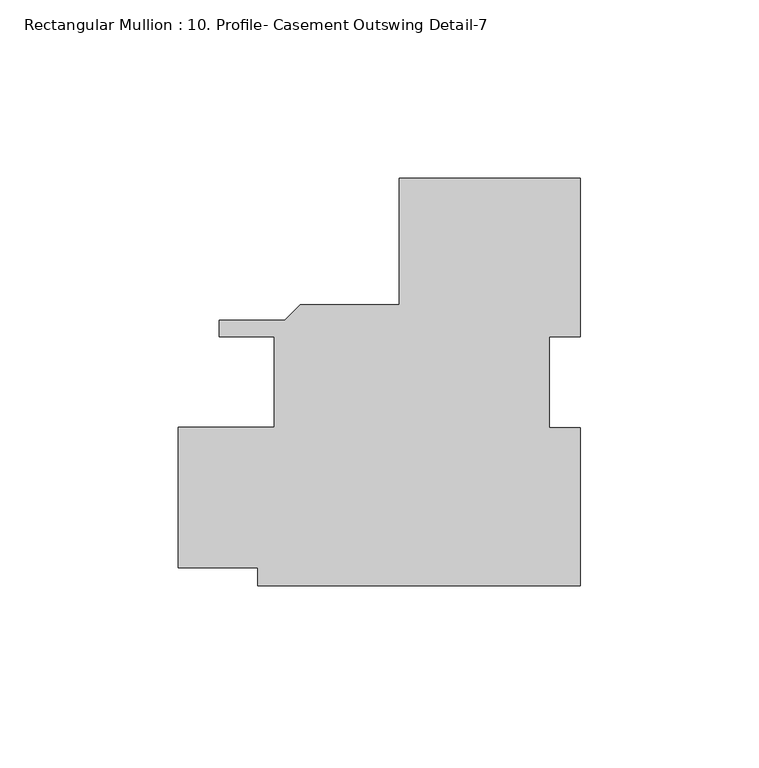
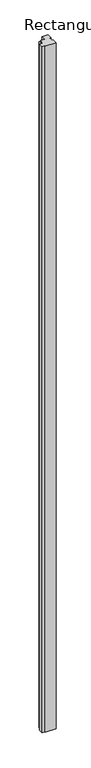
"""IFC4 building model written with IfcOpenShell, lengths in millimetres: member geometry, Rectangular Mullion : 10. Profile- Casement Outswing Detail-7."""

from ifc_helpers import new_model, si_unit, frame, origin, place, context, project, spatial, polyline, outline, extrude, source, transform, mapped, element, save


def rectangular_mullion_10_profile_casement_outswing_detail_7_7fdcaa0b(model_context):
    return source(origin(), model_context, "Body", "SweptSolid", [
        extrude(outline(polyline([(26.6832144, -57.1388465), (-63.8173913, -57.1388465), (-63.8173913, -52.0588038), (-86.0292856, -52.0588038), (-86.0292856, -12.6888039), (-59.0548914, -12.6888039), (-59.0548914, 12.7111961), (-74.5429351, 12.7111961), (-74.5429351, 17.4101962), (-56.1604273, 17.4101962), (-51.8932273, 21.6773962), (-24.1167856, 21.6773962), (-24.1167856, 57.1611535), (26.6832144, 57.1611535), (26.6832144, 12.7438492), (17.9519644, 12.7438492), (17.9519644, -12.7438492), (26.6832144, -12.7438492), (26.6832144, -57.1388465)])), frame((0.0, 0.0, -6096.0), z_axis=(0.0, 0.0, 1.0), x_axis=(1.0, 0.0, 0.0)), (0.0, 0.0, 1.0), 6096.0),
    ])


if __name__ == "__main__":
    model = new_model("IFC4")
    model_context = context("Model", 3, world=origin())
    ifc_project = project(units=[si_unit("LENGTHUNIT", "METRE", prefix="MILLI")], contexts=[model_context])
    site = spatial("IfcSite", under=ifc_project)
    building = spatial("IfcBuilding", under=site)
    placement = place(None, origin())
    rectangular_mullion_10_profile_casement_outswing_detail_7_shape = rectangular_mullion_10_profile_casement_outswing_detail_7_7fdcaa0b(model_context)
    element("IfcMember", 1, ObjectType="Rectangular Mullion : 10. Profile- Casement Outswing Detail-7", at=placement, inside=building, context=model_context, shape_type="MappedRepresentation", body=[
        mapped(rectangular_mullion_10_profile_casement_outswing_detail_7_shape, transform((0.0, 0.0, 0.0), x_axis=(1.0, 0.0, 0.0), y_axis=(0.0, 1.0, 0.0), z_axis=(0.0, 0.0, 1.0))),
    ])
    save(model, "model.ifc")
